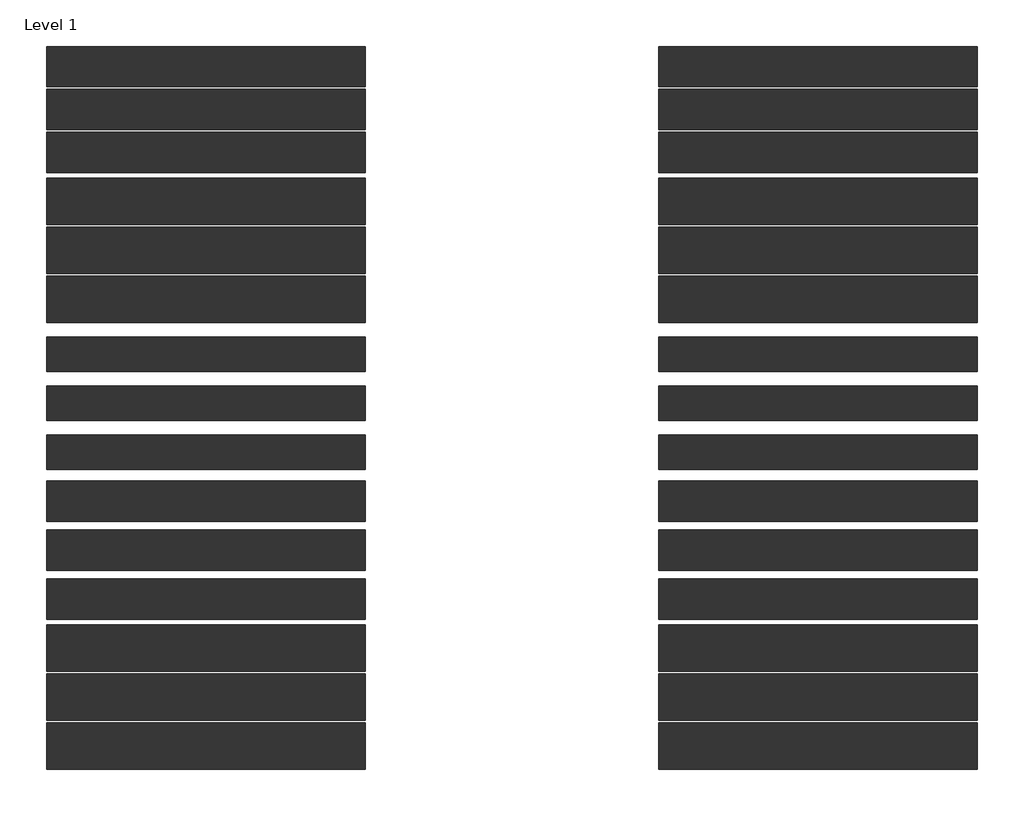
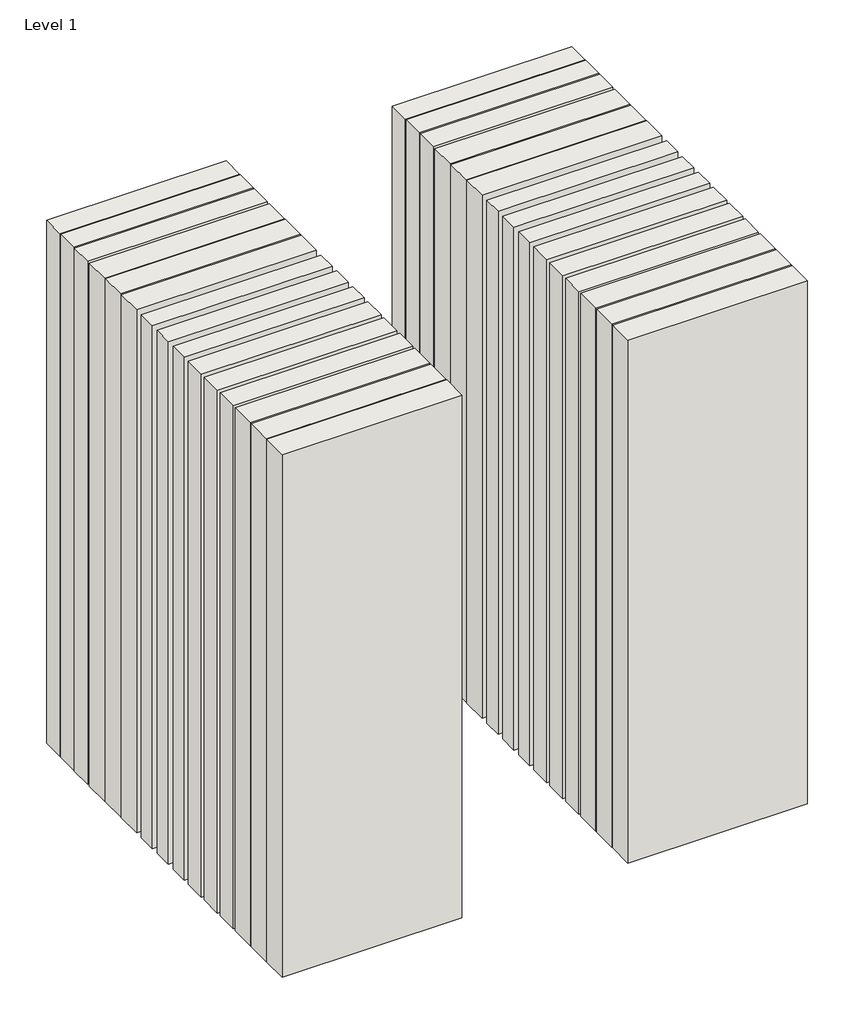
# One storey: 30 walls.
"""IFC4 building model written with IfcOpenShell, lengths in millimetres."""

from ifc_helpers import new_model, si_unit, origin, origin_with_axes, place, context, project, spatial, polyline, outline, extrude, element, save

model = new_model("IFC4")

# Units and contexts
model_context = context("Model", 3, world=origin())
ifc_project = project(units=[si_unit("LENGTHUNIT", "METRE", prefix="MILLI")], contexts=[model_context])

# Site, building, storey
site = spatial("IfcSite", under=ifc_project)
building = spatial("IfcBuilding", under=site)
storey = spatial("IfcBuildingStorey", under=building, Name="Level 1", Elevation=0.0)

# Walls
placement = place(None, origin())
element("IfcWall", 1, at=placement, inside=storey, context=model_context, shape_type="SweptSolid", body=[
    extrude(outline(polyline([(-16904.1464237, 3221.4042935), (-19504.1464237, 3221.4042935), (-19504.1464237, 3551.4042935), (-16904.1464237, 3551.4042935), (-16904.1464237, 3221.4042935)])), origin_with_axes(), (0.0, 0.0, 1.0), 8000.0),
])
element("IfcWall", 2, at=placement, inside=storey, context=model_context, shape_type="SweptSolid", body=[
    extrude(outline(polyline([(-16904.1464237, 2871.4042935), (-19504.1464237, 2871.4042935), (-19504.1464237, 3201.4042935), (-16904.1464237, 3201.4042935), (-16904.1464237, 2871.4042935)])), origin_with_axes(), (0.0, 0.0, 1.0), 8000.0),
])
element("IfcWall", 3, at=placement, inside=storey, context=model_context, shape_type="SweptSolid", body=[
    extrude(outline(polyline([(-16904.1464237, 2521.4042935), (-19504.1464237, 2521.4042935), (-19504.1464237, 2851.4042935), (-16904.1464237, 2851.4042935), (-16904.1464237, 2521.4042935)])), origin_with_axes(), (0.0, 0.0, 1.0), 8000.0),
])
element("IfcWall", 4, at=placement, inside=storey, context=model_context, shape_type="SweptSolid", body=[
    extrude(outline(polyline([(-16904.1464237, 2096.4042935), (-19504.1464237, 2096.4042935), (-19504.1464237, 2476.4042935), (-16904.1464237, 2476.4042935), (-16904.1464237, 2096.4042935)])), origin_with_axes(), (0.0, 0.0, 1.0), 8000.0),
])
element("IfcWall", 5, at=placement, inside=storey, context=model_context, shape_type="SweptSolid", body=[
    extrude(outline(polyline([(-16904.1464237, 1696.4042935), (-19504.1464237, 1696.4042935), (-19504.1464237, 2076.4042935), (-16904.1464237, 2076.4042935), (-16904.1464237, 1696.4042935)])), origin_with_axes(), (0.0, 0.0, 1.0), 8000.0),
])
element("IfcWall", 6, at=placement, inside=storey, context=model_context, shape_type="SweptSolid", body=[
    extrude(outline(polyline([(-16904.1464237, 1296.4042935), (-19504.1464237, 1296.4042935), (-19504.1464237, 1676.4042935), (-16904.1464237, 1676.4042935), (-16904.1464237, 1296.4042935)])), origin_with_axes(), (0.0, 0.0, 1.0), 8000.0),
])
element("IfcWall", 7, at=placement, inside=storey, context=model_context, shape_type="SweptSolid", body=[
    extrude(outline(polyline([(-16904.1464237, 896.4042935), (-19504.1464237, 896.4042935), (-19504.1464237, 1176.4042935), (-16904.1464237, 1176.4042935), (-16904.1464237, 896.4042935)])), origin_with_axes(), (0.0, 0.0, 1.0), 8000.0),
])
element("IfcWall", 8, at=placement, inside=storey, context=model_context, shape_type="SweptSolid", body=[
    extrude(outline(polyline([(-16904.1464237, 496.4042935), (-19504.1464237, 496.4042935), (-19504.1464237, 776.4042935), (-16904.1464237, 776.4042935), (-16904.1464237, 496.4042935)])), origin_with_axes(), (0.0, 0.0, 1.0), 8000.0),
])
element("IfcWall", 9, at=placement, inside=storey, context=model_context, shape_type="SweptSolid", body=[
    extrude(outline(polyline([(-16904.1464237, 96.4042935), (-19504.1464237, 96.4042935), (-19504.1464237, 376.4042935), (-16904.1464237, 376.4042935), (-16904.1464237, 96.4042935)])), origin_with_axes(), (0.0, 0.0, 1.0), 8000.0),
])
element("IfcWall", 10, at=placement, inside=storey, context=model_context, shape_type="SweptSolid", body=[
    extrude(outline(polyline([(-16904.1464237, -328.5957065), (-19504.1464237, -328.5957065), (-19504.1464237, 1.4042935), (-16904.1464237, 1.4042935), (-16904.1464237, -328.5957065)])), origin_with_axes(), (0.0, 0.0, 1.0), 8000.0),
])
element("IfcWall", 11, at=placement, inside=storey, context=model_context, shape_type="SweptSolid", body=[
    extrude(outline(polyline([(-16904.1464237, -728.5957065), (-19504.1464237, -728.5957065), (-19504.1464237, -398.5957065), (-16904.1464237, -398.5957065), (-16904.1464237, -728.5957065)])), origin_with_axes(), (0.0, 0.0, 1.0), 8000.0),
])
element("IfcWall", 12, at=placement, inside=storey, context=model_context, shape_type="SweptSolid", body=[
    extrude(outline(polyline([(-16904.1464237, -1128.5957065), (-19504.1464237, -1128.5957065), (-19504.1464237, -798.5957065), (-16904.1464237, -798.5957065), (-16904.1464237, -1128.5957065)])), origin_with_axes(), (0.0, 0.0, 1.0), 8000.0),
])
element("IfcWall", 13, at=placement, inside=storey, context=model_context, shape_type="SweptSolid", body=[
    extrude(outline(polyline([(-16904.1464237, -1553.5957065), (-19504.1464237, -1553.5957065), (-19504.1464237, -1173.5957065), (-16904.1464237, -1173.5957065), (-16904.1464237, -1553.5957065)])), origin_with_axes(), (0.0, 0.0, 1.0), 8000.0),
])
element("IfcWall", 14, at=placement, inside=storey, context=model_context, shape_type="SweptSolid", body=[
    extrude(outline(polyline([(-16904.1464237, -1953.5957065), (-19504.1464237, -1953.5957065), (-19504.1464237, -1573.5957065), (-16904.1464237, -1573.5957065), (-16904.1464237, -1953.5957065)])), origin_with_axes(), (0.0, 0.0, 1.0), 8000.0),
])
element("IfcWall", 15, at=placement, inside=storey, context=model_context, shape_type="SweptSolid", body=[
    extrude(outline(polyline([(-16904.1464237, -2353.5957065), (-19504.1464237, -2353.5957065), (-19504.1464237, -1973.5957065), (-16904.1464237, -1973.5957065), (-16904.1464237, -2353.5957065)])), origin_with_axes(), (0.0, 0.0, 1.0), 8000.0),
])
element("IfcWall", 16, at=placement, inside=storey, context=model_context, shape_type="SweptSolid", body=[
    extrude(outline(polyline([(-11904.1464237, 3221.4042935), (-14504.1464237, 3221.4042935), (-14504.1464237, 3551.4042935), (-11904.1464237, 3551.4042935), (-11904.1464237, 3221.4042935)])), origin_with_axes(), (0.0, 0.0, 1.0), 8000.0),
])
element("IfcWall", 17, at=placement, inside=storey, context=model_context, shape_type="SweptSolid", body=[
    extrude(outline(polyline([(-11904.1464237, 2871.4042935), (-14504.1464237, 2871.4042935), (-14504.1464237, 3201.4042935), (-11904.1464237, 3201.4042935), (-11904.1464237, 2871.4042935)])), origin_with_axes(), (0.0, 0.0, 1.0), 8000.0),
])
element("IfcWall", 18, at=placement, inside=storey, context=model_context, shape_type="SweptSolid", body=[
    extrude(outline(polyline([(-11904.1464237, 2521.4042935), (-14504.1464237, 2521.4042935), (-14504.1464237, 2851.4042935), (-11904.1464237, 2851.4042935), (-11904.1464237, 2521.4042935)])), origin_with_axes(), (0.0, 0.0, 1.0), 8000.0),
])
element("IfcWall", 19, at=placement, inside=storey, context=model_context, shape_type="SweptSolid", body=[
    extrude(outline(polyline([(-11904.1464237, 2096.4042935), (-14504.1464237, 2096.4042935), (-14504.1464237, 2476.4042935), (-11904.1464237, 2476.4042935), (-11904.1464237, 2096.4042935)])), origin_with_axes(), (0.0, 0.0, 1.0), 8000.0),
])
element("IfcWall", 20, at=placement, inside=storey, context=model_context, shape_type="SweptSolid", body=[
    extrude(outline(polyline([(-11904.1464237, 1696.4042935), (-14504.1464237, 1696.4042935), (-14504.1464237, 2076.4042935), (-11904.1464237, 2076.4042935), (-11904.1464237, 1696.4042935)])), origin_with_axes(), (0.0, 0.0, 1.0), 8000.0),
])
element("IfcWall", 21, at=placement, inside=storey, context=model_context, shape_type="SweptSolid", body=[
    extrude(outline(polyline([(-11904.1464237, 1296.4042935), (-14504.1464237, 1296.4042935), (-14504.1464237, 1676.4042935), (-11904.1464237, 1676.4042935), (-11904.1464237, 1296.4042935)])), origin_with_axes(), (0.0, 0.0, 1.0), 8000.0),
])
element("IfcWall", 22, at=placement, inside=storey, context=model_context, shape_type="SweptSolid", body=[
    extrude(outline(polyline([(-11904.1464237, 896.4042935), (-14504.1464237, 896.4042935), (-14504.1464237, 1176.4042935), (-11904.1464237, 1176.4042935), (-11904.1464237, 896.4042935)])), origin_with_axes(), (0.0, 0.0, 1.0), 8000.0),
])
element("IfcWall", 23, at=placement, inside=storey, context=model_context, shape_type="SweptSolid", body=[
    extrude(outline(polyline([(-11904.1464237, 496.4042935), (-14504.1464237, 496.4042935), (-14504.1464237, 776.4042935), (-11904.1464237, 776.4042935), (-11904.1464237, 496.4042935)])), origin_with_axes(), (0.0, 0.0, 1.0), 8000.0),
])
element("IfcWall", 24, at=placement, inside=storey, context=model_context, shape_type="SweptSolid", body=[
    extrude(outline(polyline([(-11904.1464237, 96.4042935), (-14504.1464237, 96.4042935), (-14504.1464237, 376.4042935), (-11904.1464237, 376.4042935), (-11904.1464237, 96.4042935)])), origin_with_axes(), (0.0, 0.0, 1.0), 8000.0),
])
element("IfcWall", 25, at=placement, inside=storey, context=model_context, shape_type="SweptSolid", body=[
    extrude(outline(polyline([(-11904.1464237, -328.5957065), (-14504.1464237, -328.5957065), (-14504.1464237, 1.4042935), (-11904.1464237, 1.4042935), (-11904.1464237, -328.5957065)])), origin_with_axes(), (0.0, 0.0, 1.0), 8000.0),
])
element("IfcWall", 26, at=placement, inside=storey, context=model_context, shape_type="SweptSolid", body=[
    extrude(outline(polyline([(-11904.1464237, -728.5957065), (-14504.1464237, -728.5957065), (-14504.1464237, -398.5957065), (-11904.1464237, -398.5957065), (-11904.1464237, -728.5957065)])), origin_with_axes(), (0.0, 0.0, 1.0), 8000.0),
])
element("IfcWall", 27, at=placement, inside=storey, context=model_context, shape_type="SweptSolid", body=[
    extrude(outline(polyline([(-11904.1464237, -1128.5957065), (-14504.1464237, -1128.5957065), (-14504.1464237, -798.5957065), (-11904.1464237, -798.5957065), (-11904.1464237, -1128.5957065)])), origin_with_axes(), (0.0, 0.0, 1.0), 8000.0),
])
element("IfcWall", 28, at=placement, inside=storey, context=model_context, shape_type="SweptSolid", body=[
    extrude(outline(polyline([(-11904.1464237, -1553.5957065), (-14504.1464237, -1553.5957065), (-14504.1464237, -1173.5957065), (-11904.1464237, -1173.5957065), (-11904.1464237, -1553.5957065)])), origin_with_axes(), (0.0, 0.0, 1.0), 8000.0),
])
element("IfcWall", 29, at=placement, inside=storey, context=model_context, shape_type="SweptSolid", body=[
    extrude(outline(polyline([(-11904.1464237, -1953.5957065), (-14504.1464237, -1953.5957065), (-14504.1464237, -1573.5957065), (-11904.1464237, -1573.5957065), (-11904.1464237, -1953.5957065)])), origin_with_axes(), (0.0, 0.0, 1.0), 8000.0),
])
element("IfcWall", 30, at=placement, inside=storey, context=model_context, shape_type="SweptSolid", body=[
    extrude(outline(polyline([(-11904.1464237, -2353.5957065), (-14504.1464237, -2353.5957065), (-14504.1464237, -1973.5957065), (-11904.1464237, -1973.5957065), (-11904.1464237, -2353.5957065)])), origin_with_axes(), (0.0, 0.0, 1.0), 8000.0),
])

save(model, "model.ifc")
